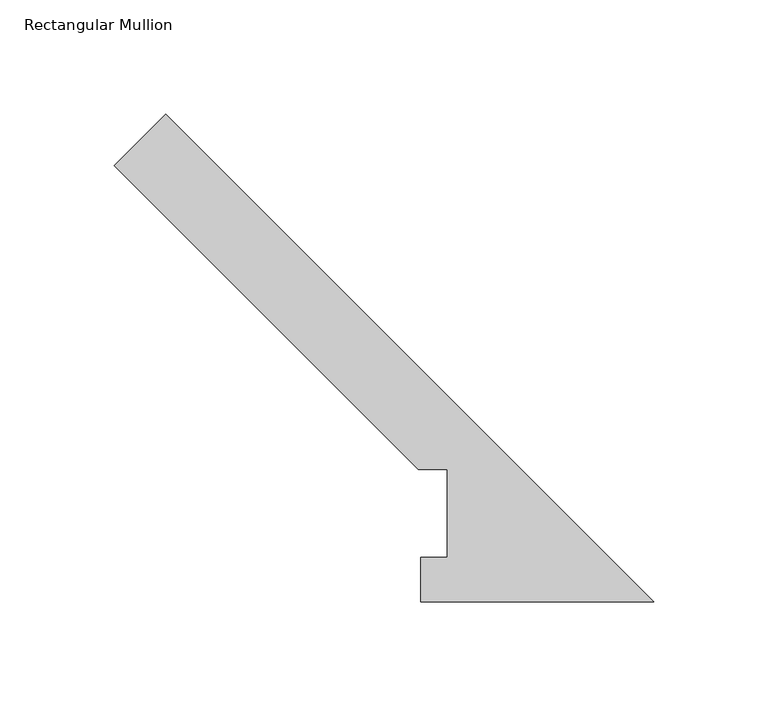
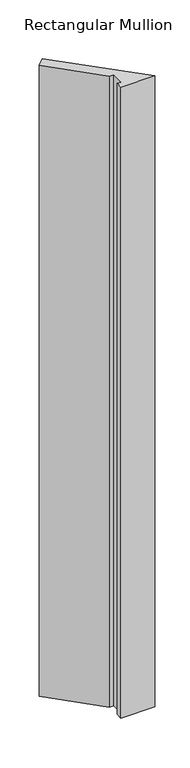
"""IFC4 building model written with IfcOpenShell, lengths in millimetres: member geometry, Rectangular Mullion."""

import ifcopenshell
import ifcopenshell.guid

model = None  # the IFC model being written
_history = None  # IfcOwnerHistory: only IFC2X3 demands one
_inside = {}  # id of a spatial element -> (the spatial element, [elements in it])
_under = {}  # id of a project, library or spatial element -> (it, [spatial elements below it])
_declared = {}  # id of a project -> (the project, [libraries it declares])
_typed = {}  # id of a type object -> (the type object, [elements of that type])
_made_of = {}  # id of a material, layer set ... -> (it, [elements and type objects made of it])


def new_model(schema):
    """Start an empty IFC model of exactly this schema.

    Asked for "IFC4X3", IfcOpenShell would pick the latest addendum, in which some entities
    have other attributes; the version numbers below select the first issue.
    IFC2X3 requires an IfcOwnerHistory on every rooted entity: one is made here for all.
    """
    global model, _history
    if schema == "IFC4X3":
        model = ifcopenshell.file(schema_version=(4, 3, 0, 0))
    else:
        model = ifcopenshell.file(schema=schema)
    _inside.clear()
    _under.clear()
    _declared.clear()
    _typed.clear()
    _made_of.clear()
    _history = None
    if model.schema == "IFC2X3":
        org = make("IfcOrganization", Name="unknown")
        user = make(
            "IfcPersonAndOrganization",
            ThePerson=make("IfcPerson", FamilyName="unknown"),
            TheOrganization=org,
        )
        app = make(
            "IfcApplication",
            ApplicationDeveloper=org,
            Version="unknown",
            ApplicationFullName="unknown",
            ApplicationIdentifier="unknown",
        )
        _history = make(
            "IfcOwnerHistory",
            OwningUser=user,
            OwningApplication=app,
            ChangeAction="ADDED",
            CreationDate=0,
        )
    return model


def make(cls, **values):
    """One entity of the class cls with the attributes given. An attribute that is None is left unset."""
    return model.create_entity(
        cls, **{name: value for name, value in values.items() if value is not None}
    )


def rooted(cls, **values):
    """An entity with a GlobalId (a new one), such as an element, a storey or a relation."""
    return make(cls, GlobalId=ifcopenshell.guid.new(), OwnerHistory=_history, **values)


def si_unit(unit_type, name, prefix=None):
    """IfcSIUnit, for example si_unit("LENGTHUNIT", "METRE", prefix="MILLI")."""
    return make("IfcSIUnit", UnitType=unit_type, Prefix=prefix, Name=name)


def assignment(units):
    """IfcUnitAssignment: the units of a project."""
    return None if units is None else make("IfcUnitAssignment", Units=units)


def point(xyz):
    """IfcCartesianPoint."""
    return None if xyz is None else make("IfcCartesianPoint", Coordinates=xyz)


def direction(xyz):
    """IfcDirection."""
    return None if xyz is None else make("IfcDirection", DirectionRatios=xyz)


def frame(location, z_axis=None, x_axis=None):
    """IfcAxis2Placement3D, a coordinate frame: its origin and axes. An axis left out is left unset."""
    return make(
        "IfcAxis2Placement3D",
        Location=point(location),
        Axis=direction(z_axis),
        RefDirection=direction(x_axis),
    )


def origin():
    """The frame at (0, 0, 0) with its axes left unset."""
    return frame((0.0, 0.0, 0.0))


def place(relative_to, where):
    """IfcLocalPlacement: puts the frame where relative to a parent placement (None: the world)."""
    return make(
        "IfcLocalPlacement", PlacementRelTo=relative_to, RelativePlacement=where
    )


def context(
    kind, dimensions, precision=None, world=None, true_north=None, identifier=None
):
    """IfcGeometricRepresentationContext, for example the 3D "Model" context."""
    return make(
        "IfcGeometricRepresentationContext",
        ContextIdentifier=identifier,
        ContextType=kind,
        CoordinateSpaceDimension=dimensions,
        Precision=precision,
        WorldCoordinateSystem=world,
        TrueNorth=true_north,
    )


def project(units=None, contexts=None):
    """IfcProject with its units and contexts."""
    return rooted(
        "IfcProject",
        Name="project",
        RepresentationContexts=contexts,
        UnitsInContext=assignment(units),
    )


def spatial(cls, under=None, at=None, **own):
    """A site, building, storey or space (cls), placed at a placement, below another one or the project."""
    s = rooted(cls, ObjectPlacement=at, **own)
    if under is not None:
        _under.setdefault(under.id(), (under, []))[1].append(s)
    return s


def polyline(points):
    """IfcPolyline through the points."""
    return make("IfcPolyline", Points=[point(p) for p in points])


def outline(outer, holes=None, kind="AREA"):
    """IfcArbitraryClosedProfileDef: a profile drawn as a closed curve; with holes, ...WithVoids."""
    if holes is None:
        return make("IfcArbitraryClosedProfileDef", ProfileType=kind, OuterCurve=outer)
    return make(
        "IfcArbitraryProfileDefWithVoids",
        ProfileType=kind,
        OuterCurve=outer,
        InnerCurves=holes,
    )


def extrude(swept, where, along, depth):
    """IfcExtrudedAreaSolid: the profile swept, set in the frame where, extruded along a direction by depth."""
    return make(
        "IfcExtrudedAreaSolid",
        SweptArea=swept,
        Position=where,
        ExtrudedDirection=direction(along),
        Depth=depth,
    )


def shape(context_of_items, identifier, shape_type, items):
    """IfcShapeRepresentation: the items that make up one representation, for example the "Body"."""
    return make(
        "IfcShapeRepresentation",
        ContextOfItems=context_of_items,
        RepresentationIdentifier=identifier,
        RepresentationType=shape_type,
        Items=items,
    )


def source(mapping_origin, context_of_items, identifier, shape_type, items):
    """IfcRepresentationMap: a shape defined once, which mapped items show again and again."""
    return make(
        "IfcRepresentationMap",
        MappingOrigin=mapping_origin,
        MappedRepresentation=shape(context_of_items, identifier, shape_type, items),
    )


def transform(
    local_origin,
    x_axis=None,
    y_axis=None,
    z_axis=None,
    scale=None,
    scale2=None,
    scale3=None,
    uniform=True,
):
    """IfcCartesianTransformationOperator3D, or its non-uniform kind. x_axis, y_axis, z_axis: its Axis1, 2, 3."""
    if uniform:
        return make(
            "IfcCartesianTransformationOperator3D",
            Axis1=direction(x_axis),
            Axis2=direction(y_axis),
            LocalOrigin=point(local_origin),
            Scale=scale,
            Axis3=direction(z_axis),
        )
    return make(
        "IfcCartesianTransformationOperator3DnonUniform",
        Axis1=direction(x_axis),
        Axis2=direction(y_axis),
        LocalOrigin=point(local_origin),
        Scale=scale,
        Axis3=direction(z_axis),
        Scale2=scale2,
        Scale3=scale3,
    )


def mapped(mapping_source, mapping_target):
    """IfcMappedItem: shows the shape of a source again, moved by a transform."""
    return make(
        "IfcMappedItem", MappingSource=mapping_source, MappingTarget=mapping_target
    )


def made_of(thing, what):
    """Note that an element or type object is made of a material, layer set ...; save() writes the relation."""
    if what is not None:
        _made_of.setdefault(what.id(), (what, []))[1].append(thing)
    return thing


def element(
    cls,
    number,
    at=None,
    inside=None,
    cuts=None,
    type_object=None,
    material=None,
    context=None,
    identifier="Body",
    shape_type=None,
    held_by="IfcProductDefinitionShape",
    body=None,
    shapes=None,
    **own,
):
    """One element of the class cls, such as IfcWall. Its Tag is "e" and its number.

    at: its placement. inside: the storey or other place that contains it. cuts: it is an
    opening in that element (IfcRelVoidsElement). A single representation is given by context,
    identifier, shape_type and body (its items); several are given by shapes. held_by: the class
    of the entity that holds the representations. save() writes the other relations.
    """
    e = rooted(cls, Tag="e%d" % number, ObjectPlacement=at, **own)
    if body is not None:
        shapes = [shape(context, identifier, shape_type, body)]
    if shapes is not None:
        e.Representation = make(held_by, Representations=shapes)
    if inside is not None:
        _inside.setdefault(inside.id(), (inside, []))[1].append(e)
    if cuts is not None:
        rooted(
            "IfcRelVoidsElement", RelatingBuildingElement=cuts, RelatedOpeningElement=e
        )
    if type_object is not None:
        _typed.setdefault(type_object.id(), (type_object, []))[1].append(e)
    return made_of(e, material)


def aggregate(whole, parts):
    """IfcRelAggregates: a whole, such as a stair, and the parts it consists of."""
    return rooted("IfcRelAggregates", RelatingObject=whole, RelatedObjects=parts)


def save(model, path):
    """Write the relations noted so far, then the file.

    IfcRelAggregates (storeys below a building ...), IfcRelContainedInSpatialStructure (elements
    in a storey), IfcRelDefinesByType, IfcRelAssociatesMaterial and IfcRelDeclares: one each for
    every whole, place, type object, material and project.
    """
    for whole, parts in _under.values():
        aggregate(whole, parts)
    for where, things in _inside.values():
        rooted(
            "IfcRelContainedInSpatialStructure",
            RelatedElements=things,
            RelatingStructure=where,
        )
    for kind, things in _typed.values():
        rooted("IfcRelDefinesByType", RelatedObjects=things, RelatingType=kind)
    for what, things in _made_of.values():
        rooted("IfcRelAssociatesMaterial", RelatedObjects=things, RelatingMaterial=what)
    for by, libraries in _declared.values():
        rooted("IfcRelDeclares", RelatingContext=by, RelatedDefinitions=libraries)
    model.write(path)


def rectangular_mullion_5320560b(model_context):
    return source(origin(), model_context, "Body", "SweptSolid", [
        extrude(outline(polyline([(-235.6923956, 190.8267224), (-213.2417553, 213.2773627), (0.0, 0.0356074), (-101.7012191, 0.0356074), (-101.7012191, 19.5682074), (-90.1094232, 19.5682074), (-90.1094232, 57.94375), (-102.8094232, 57.94375), (-235.6923956, 190.8267224)])), frame((0.0, 0.0, -1993.9), z_axis=(0.0, 0.0, 1.0), x_axis=(1.0, 0.0, 0.0)), (0.0, 0.0, 1.0), 1993.9),
    ])


if __name__ == "__main__":
    model = new_model("IFC4")
    model_context = context("Model", 3, world=origin())
    ifc_project = project(units=[si_unit("LENGTHUNIT", "METRE", prefix="MILLI")], contexts=[model_context])
    site = spatial("IfcSite", under=ifc_project)
    building = spatial("IfcBuilding", under=site)
    placement = place(None, origin())
    rectangular_mullion_shape = rectangular_mullion_5320560b(model_context)
    element("IfcMember", 1, ObjectType="Rectangular Mullion", at=placement, inside=building, context=model_context, shape_type="MappedRepresentation", body=[
        mapped(rectangular_mullion_shape, transform((0.0, 0.0, 0.0), x_axis=(1.0, 0.0, 0.0), y_axis=(0.0, 1.0, 0.0), z_axis=(0.0, 0.0, 1.0))),
    ])
    save(model, "model.ifc")
